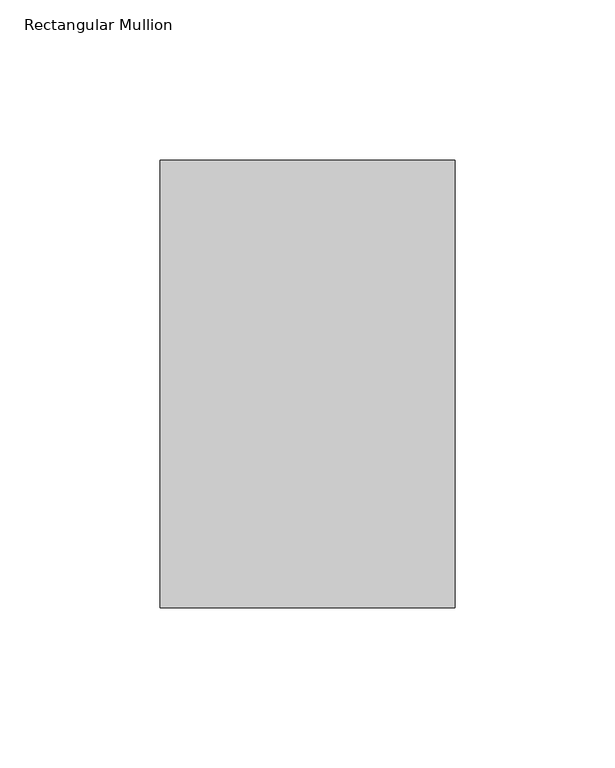
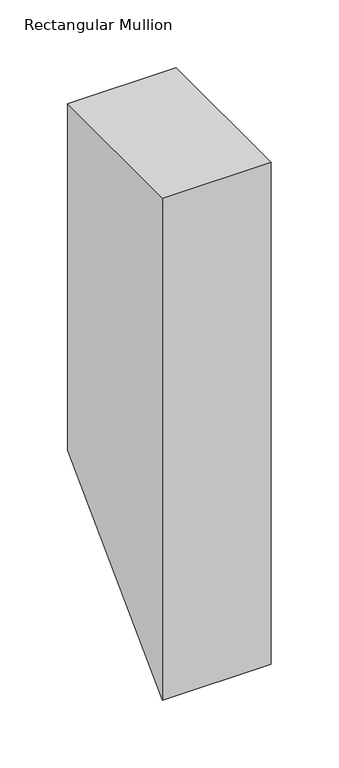
"""IFC4 building model written with IfcOpenShell, lengths in millimetres: member geometry, Rectangular Mullion."""

from ifc_helpers import new_model, si_unit, frame, origin, place, context, project, spatial, polyline, outline, extrude, source, transform, mapped, element, save


def rectangular_mullion_3f1a9eb6(model_context):
    return source(origin(), model_context, "Body", "SweptSolid", [
        extrude(outline(polyline([(50.8198168, 0.0), (190.4182179, 0.0), (190.4182179, -310.9436508), (50.8198168, -450.5420519), (50.8198168, 0.0)])), frame((-92.0626246, 0.0, 0.0), z_axis=(1.0, 0.0, 0.0), x_axis=(0.0, 1.0, 0.0)), (0.0, 0.0, 1.0), 92.0626246),
    ])


if __name__ == "__main__":
    model = new_model("IFC4")
    model_context = context("Model", 3, world=origin())
    ifc_project = project(units=[si_unit("LENGTHUNIT", "METRE", prefix="MILLI")], contexts=[model_context])
    site = spatial("IfcSite", under=ifc_project)
    building = spatial("IfcBuilding", under=site)
    placement = place(None, origin())
    rectangular_mullion_shape = rectangular_mullion_3f1a9eb6(model_context)
    element("IfcMember", 1, ObjectType="Rectangular Mullion", at=placement, inside=building, context=model_context, shape_type="MappedRepresentation", body=[
        mapped(rectangular_mullion_shape, transform((0.0, 0.0, 0.0), x_axis=(1.0, 0.0, 0.0), y_axis=(0.0, 1.0, 0.0), z_axis=(0.0, 0.0, 1.0))),
    ])
    save(model, "model.ifc")
